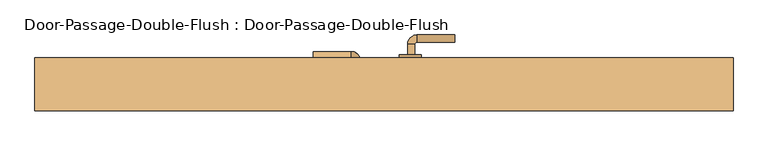
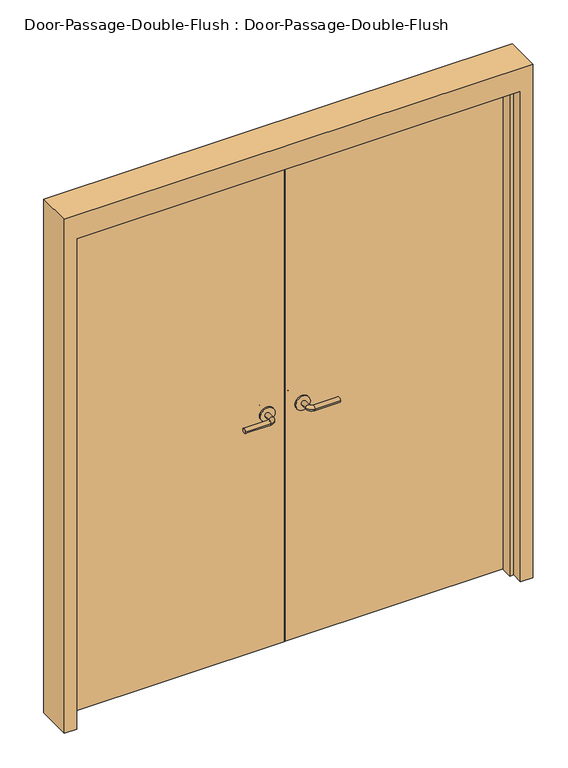
"""IFC4 building model written with IfcOpenShell, lengths in millimetres: door geometry, Door-Passage-Double-Flush : Door-Passage-Double-Flush."""

from ifc_helpers import new_model, si_unit, point, frame, frame_2d, origin, origin_with_axes, place, context, project, spatial, polyline, circle_curve, ellipse_curve, trimmed, segment, composite_curve, outline, extrude, faceted_brep, source, transform, mapped, element, save
from ifc_brep_helpers import plane_surface, cylinder_surface, revolved_surface, advanced_brep


def door_passage_double_flush_door_passage_double_flush_6cc9b6c5(model_context):
    return source(origin(), model_context, "Body", "SolidModel", [
        advanced_brep(
        [(-65.009375, 76.1375, 1016.0), (-85.009375, 76.1375, 1016.0), (-65.009375, 46.1375, 1016.0), (-85.009375, 46.1375, 1016.0), (-90.009375, 41.1375, 1016.0), (-90.009375, 21.1375, 1016.0), (-195.009375, 21.1375, 1016.0), (-195.009375, 41.1375, 1016.0)],
        [
            (0, 1, circle_curve(frame((-75.009375, 76.1375, 1016.0), z_axis=(0.0, 1.0, 0.0), x_axis=(-1.0, 0.0, 0.0)), 10.0)),
            (1, 0, circle_curve(frame((-75.009375, 76.1375, 1016.0), z_axis=(0.0, 1.0, 0.0), x_axis=(-1.0, 0.0, 0.0)), 10.0)),
            (0, 2),
            (2, 3, circle_curve(frame((-75.009375, 46.1375, 1016.0), z_axis=(0.0, 1.0, 0.0), x_axis=(-1.0, 0.0, 0.0)), 10.0)),
            (3, 1),
            (3, 2, circle_curve(frame((-75.009375, 46.1375, 1016.0), z_axis=(0.0, 1.0, 0.0), x_axis=(-1.0, 0.0, 0.0)), 10.0)),
            (4, 3, circle_curve(frame((-90.009375, 46.1375, 1016.0), z_axis=(0.0, 0.0, 1.0), x_axis=(1.0, 0.0, 0.0)), 5.0)),
            (2, 5, circle_curve(frame((-90.009375, 46.1375, 1016.0), z_axis=(0.0, 0.0, -1.0), x_axis=(1.0, 0.0, 0.0)), 25.0)),
            (5, 4, circle_curve(frame((-90.009375, 31.1375, 1016.0), z_axis=(1.0, 0.0, 0.0), x_axis=(0.0, 1.0, 0.0)), 10.0)),
            (4, 5, circle_curve(frame((-90.009375, 31.1375, 1016.0), z_axis=(1.0, 0.0, 0.0), x_axis=(0.0, 1.0, 0.0)), 10.0)),
            (6, 7, circle_curve(frame((-195.009375, 31.1375, 1016.0), z_axis=(-1.0, 0.0, 0.0), x_axis=(0.0, 1.0, 0.0)), 10.0)),
            (7, 6, circle_curve(frame((-195.009375, 31.1375, 1016.0), z_axis=(-1.0, 0.0, 0.0), x_axis=(0.0, 1.0, 0.0)), 10.0)),
            (5, 6),
            (7, 4),
        ],
        [
            plane_surface(frame((-75.009375, 76.1375, 1016.0), z_axis=(0.0, 1.0, 0.0), x_axis=(0.0, 0.0, 1.0))),
            cylinder_surface(frame((-75.009375, 76.1375, 1016.0), z_axis=(0.0, 1.0, 0.0), x_axis=(-1.0, 0.0, 0.0)), 10.0),
            revolved_surface(trimmed(ellipse_curve(frame((-75.009375, 46.1375, 1016.0), z_axis=(0.0, 1.0, 0.0), x_axis=(-1.0, 0.0, 0.0)), 10.0, 10.0), [point((-65.009375, 46.1375, 1016.0))], [point((-85.009375, 46.1375, 1016.0))], True, "CARTESIAN"), (-90.009375, 46.1375, 1016.0), (0.0, 0.0, -1.0)),
            revolved_surface(trimmed(ellipse_curve(frame((-75.009375, 46.1375, 1016.0), z_axis=(0.0, 1.0, 0.0), x_axis=(-1.0, 0.0, 0.0)), 10.0, 10.0), [point((-85.009375, 46.1375, 1016.0))], [point((-65.009375, 46.1375, 1016.0))], True, "CARTESIAN"), (-90.009375, 46.1375, 1016.0), (0.0, 0.0, -1.0)),
            plane_surface(frame((-195.009375, 31.1375, 1016.0), z_axis=(-1.0, 0.0, 0.0), x_axis=(0.0, 0.0, 1.0))),
            cylinder_surface(frame((-90.009375, 31.1375, 1016.0), z_axis=(1.0, 0.0, 0.0), x_axis=(0.0, 1.0, 0.0)), 10.0),
        ],
        [
            (0, [[1, 2]]),
            (1, [[-1, 3, 4, 5]]),
            (1, [[-2, -5, 6, -3]]),
            (2, [[7, -4, 8, 9]]),
            (3, [[-8, -6, -7, 10]]),
            (4, [[11, 12]]),
            (5, [[-9, 13, -12, 14]]),
            (5, [[-10, -14, -11, -13]]),
        ],
    ),
        extrude(outline(composite_curve([segment(trimmed(circle_curve(frame_2d((1016.0, -72.509375)), 30.0), [point((1016.0, -42.509375))], [point((1016.0, -102.509375))], False, "CARTESIAN"), True, "CONTINUOUS"), segment(trimmed(circle_curve(frame_2d((1016.0, -72.509375)), 30.0), [point((1016.0, -102.509375))], [point((1016.0, -42.509375))], False, "CARTESIAN"), True, "CONTINUOUS")], self_intersect=False)), frame((0.0, 76.1375, 0.0), z_axis=(0.0, 1.0, 0.0), x_axis=(0.0, 0.0, 1.0)), (0.0, 0.0, 1.0), 8.0),
        advanced_brep(
        [(-65.009375, 90.55, 1016.0), (-85.009375, 90.55, 1016.0), (-85.009375, 120.55, 1016.0), (-65.009375, 120.55, 1016.0), (-90.009375, 125.55, 1016.0), (-90.009375, 145.55, 1016.0), (-195.009375, 145.55, 1016.0), (-195.009375, 125.55, 1016.0)],
        [
            (0, 1, circle_curve(frame((-75.009375, 90.55, 1016.0), z_axis=(0.0, -1.0, 0.0), x_axis=(-1.0, 0.0, 0.0)), 10.0)),
            (1, 0, circle_curve(frame((-75.009375, 90.55, 1016.0), z_axis=(0.0, -1.0, 0.0), x_axis=(-1.0, 0.0, 0.0)), 10.0)),
            (1, 2),
            (2, 3, circle_curve(frame((-75.009375, 120.55, 1016.0), z_axis=(0.0, -1.0, 0.0), x_axis=(-1.0, 0.0, 0.0)), 10.0)),
            (3, 0),
            (3, 2, circle_curve(frame((-75.009375, 120.55, 1016.0), z_axis=(0.0, -1.0, 0.0), x_axis=(-1.0, 0.0, 0.0)), 10.0)),
            (4, 5, circle_curve(frame((-90.009375, 135.55, 1016.0), z_axis=(1.0, 0.0, 0.0), x_axis=(0.0, -1.0, 0.0)), 10.0)),
            (5, 3, circle_curve(frame((-90.009375, 120.55, 1016.0), z_axis=(0.0, 0.0, -1.0), x_axis=(1.0, 0.0, 0.0)), 25.0)),
            (2, 4, circle_curve(frame((-90.009375, 120.55, 1016.0), z_axis=(0.0, 0.0, 1.0), x_axis=(1.0, 0.0, 0.0)), 5.0)),
            (5, 4, circle_curve(frame((-90.009375, 135.55, 1016.0), z_axis=(1.0, 0.0, 0.0), x_axis=(0.0, -1.0, 0.0)), 10.0)),
            (6, 7, circle_curve(frame((-195.009375, 135.55, 1016.0), z_axis=(-1.0, 0.0, 0.0), x_axis=(0.0, -1.0, 0.0)), 10.0)),
            (7, 6, circle_curve(frame((-195.009375, 135.55, 1016.0), z_axis=(-1.0, 0.0, 0.0), x_axis=(0.0, -1.0, 0.0)), 10.0)),
            (4, 7),
            (6, 5),
        ],
        [
            plane_surface(frame((-75.009375, 90.55, 1016.0), z_axis=(0.0, -1.0, 0.0), x_axis=(0.0, 0.0, 1.0))),
            cylinder_surface(frame((-75.009375, 90.55, 1016.0), z_axis=(0.0, -1.0, 0.0), x_axis=(-1.0, 0.0, 0.0)), 10.0),
            revolved_surface(trimmed(ellipse_curve(frame((-75.009375, 120.55, 1016.0), z_axis=(0.0, 1.0, 0.0), x_axis=(-1.0, 0.0, 0.0)), 10.0, 10.0), [point((-65.009375, 120.55, 1016.0))], [point((-85.009375, 120.55, 1016.0))], True, "CARTESIAN"), (-90.009375, 120.55, 1016.0), (0.0, 0.0, -1.0)),
            revolved_surface(trimmed(ellipse_curve(frame((-75.009375, 120.55, 1016.0), z_axis=(0.0, 1.0, 0.0), x_axis=(-1.0, 0.0, 0.0)), 10.0, 10.0), [point((-85.009375, 120.55, 1016.0))], [point((-65.009375, 120.55, 1016.0))], True, "CARTESIAN"), (-90.009375, 120.55, 1016.0), (0.0, 0.0, -1.0)),
            plane_surface(frame((-195.009375, 135.55, 1016.0), z_axis=(-1.0, 0.0, 0.0), x_axis=(0.0, 0.0, 1.0))),
            cylinder_surface(frame((-90.009375, 135.55, 1016.0), z_axis=(1.0, 0.0, 0.0), x_axis=(0.0, -1.0, 0.0)), 10.0),
        ],
        [
            (0, [[1, 2]]),
            (1, [[3, 4, 5, -2]]),
            (1, [[-5, 6, -3, -1]]),
            (2, [[7, 8, -4, 9]]),
            (3, [[10, -9, -6, -8]]),
            (4, [[11, 12]]),
            (5, [[13, -11, 14, -7]]),
            (5, [[-14, -12, -13, -10]]),
        ],
    ),
        extrude(outline(composite_curve([segment(trimmed(circle_curve(frame_2d((1016.0, -72.509375)), 30.0), [point((1016.0, -42.509375))], [point((1016.0, -102.509375))], False, "CARTESIAN"), True, "CONTINUOUS"), segment(trimmed(circle_curve(frame_2d((1016.0, -72.509375)), 30.0), [point((1016.0, -102.509375))], [point((1016.0, -42.509375))], False, "CARTESIAN"), True, "CONTINUOUS")], self_intersect=False)), frame((0.0, 82.55, 0.0), z_axis=(0.0, 1.0, 0.0), x_axis=(0.0, 0.0, 1.0)), (0.0, 0.0, 1.0), 8.0),
        advanced_brep(
        [(65.009375, 76.1375, 1016.0), (85.009375, 76.1375, 1016.0), (85.009375, 46.1375, 1016.0), (65.009375, 46.1375, 1016.0), (90.009375, 41.1375, 1016.0), (90.009375, 21.1375, 1016.0), (195.009375, 21.1375, 1016.0), (195.009375, 41.1375, 1016.0)],
        [
            (0, 1, circle_curve(frame((75.009375, 76.1375, 1016.0), z_axis=(0.0, 1.0, 0.0), x_axis=(1.0, 0.0, 0.0)), 10.0)),
            (1, 0, circle_curve(frame((75.009375, 76.1375, 1016.0), z_axis=(0.0, 1.0, 0.0), x_axis=(1.0, 0.0, 0.0)), 10.0)),
            (1, 2),
            (2, 3, circle_curve(frame((75.009375, 46.1375, 1016.0), z_axis=(0.0, 1.0, 0.0), x_axis=(1.0, 0.0, 0.0)), 10.0)),
            (3, 0),
            (3, 2, circle_curve(frame((75.009375, 46.1375, 1016.0), z_axis=(0.0, 1.0, 0.0), x_axis=(1.0, 0.0, 0.0)), 10.0)),
            (4, 5, circle_curve(frame((90.009375, 31.1375, 1016.0), z_axis=(-1.0, 0.0, 0.0), x_axis=(0.0, 1.0, 0.0)), 10.0)),
            (5, 3, circle_curve(frame((90.009375, 46.1375, 1016.0), z_axis=(0.0, 0.0, -1.0), x_axis=(-1.0, 0.0, 0.0)), 25.0)),
            (2, 4, circle_curve(frame((90.009375, 46.1375, 1016.0), z_axis=(0.0, 0.0, 1.0), x_axis=(-1.0, 0.0, 0.0)), 5.0)),
            (5, 4, circle_curve(frame((90.009375, 31.1375, 1016.0), z_axis=(-1.0, 0.0, 0.0), x_axis=(0.0, 1.0, 0.0)), 10.0)),
            (6, 7, circle_curve(frame((195.009375, 31.1375, 1016.0), z_axis=(1.0, 0.0, 0.0), x_axis=(0.0, 1.0, 0.0)), 10.0)),
            (7, 6, circle_curve(frame((195.009375, 31.1375, 1016.0), z_axis=(1.0, 0.0, 0.0), x_axis=(0.0, 1.0, 0.0)), 10.0)),
            (4, 7),
            (6, 5),
        ],
        [
            plane_surface(frame((75.009375, 76.1375, 1016.0), z_axis=(0.0, 1.0, 0.0), x_axis=(0.0, 0.0, 1.0))),
            cylinder_surface(frame((75.009375, 76.1375, 1016.0), z_axis=(0.0, 1.0, 0.0), x_axis=(1.0, 0.0, 0.0)), 10.0),
            revolved_surface(trimmed(ellipse_curve(frame((75.009375, 46.1375, 1016.0), z_axis=(0.0, -1.0, 0.0), x_axis=(1.0, 0.0, 0.0)), 10.0, 10.0), [point((65.009375, 46.1375, 1016.0))], [point((85.009375, 46.1375, 1016.0))], True, "CARTESIAN"), (90.009375, 46.1375, 1016.0), (0.0, 0.0, -1.0)),
            revolved_surface(trimmed(ellipse_curve(frame((75.009375, 46.1375, 1016.0), z_axis=(0.0, -1.0, 0.0), x_axis=(1.0, 0.0, 0.0)), 10.0, 10.0), [point((85.009375, 46.1375, 1016.0))], [point((65.009375, 46.1375, 1016.0))], True, "CARTESIAN"), (90.009375, 46.1375, 1016.0), (0.0, 0.0, -1.0)),
            plane_surface(frame((195.009375, 31.1375, 1016.0), z_axis=(1.0, 0.0, 0.0), x_axis=(0.0, 0.0, 1.0))),
            cylinder_surface(frame((90.009375, 31.1375, 1016.0), z_axis=(-1.0, 0.0, 0.0), x_axis=(0.0, 1.0, 0.0)), 10.0),
        ],
        [
            (0, [[1, 2]]),
            (1, [[3, 4, 5, -2]]),
            (1, [[-5, 6, -3, -1]]),
            (2, [[7, 8, -4, 9]]),
            (3, [[10, -9, -6, -8]]),
            (4, [[11, 12]]),
            (5, [[13, -11, 14, -7]]),
            (5, [[-14, -12, -13, -10]]),
        ],
    ),
        extrude(outline(composite_curve([segment(trimmed(circle_curve(frame_2d((1016.0, 72.509375)), 30.0), [point((1016.0, 42.509375))], [point((1016.0, 102.509375))], False, "CARTESIAN"), True, "CONTINUOUS"), segment(trimmed(circle_curve(frame_2d((1016.0, 72.509375)), 30.0), [point((1016.0, 102.509375))], [point((1016.0, 42.509375))], False, "CARTESIAN"), True, "CONTINUOUS")], self_intersect=False)), frame((0.0, 76.1375, 0.0), z_axis=(0.0, 1.0, 0.0), x_axis=(0.0, 0.0, 1.0)), (0.0, 0.0, 1.0), 8.0),
        advanced_brep(
        [(65.009375, 136.5875, 1016.0), (85.009375, 136.5875, 1016.0), (65.009375, 166.5875, 1016.0), (85.009375, 166.5875, 1016.0), (90.009375, 171.5875, 1016.0), (90.009375, 191.5875, 1016.0), (195.009375, 191.5875, 1016.0), (195.009375, 171.5875, 1016.0)],
        [
            (0, 1, circle_curve(frame((75.009375, 136.5875, 1016.0), z_axis=(0.0, -1.0, 0.0), x_axis=(1.0, 0.0, 0.0)), 10.0)),
            (1, 0, circle_curve(frame((75.009375, 136.5875, 1016.0), z_axis=(0.0, -1.0, 0.0), x_axis=(1.0, 0.0, 0.0)), 10.0)),
            (0, 2),
            (2, 3, circle_curve(frame((75.009375, 166.5875, 1016.0), z_axis=(0.0, -1.0, 0.0), x_axis=(1.0, 0.0, 0.0)), 10.0)),
            (3, 1),
            (3, 2, circle_curve(frame((75.009375, 166.5875, 1016.0), z_axis=(0.0, -1.0, 0.0), x_axis=(1.0, 0.0, 0.0)), 10.0)),
            (4, 3, circle_curve(frame((90.009375, 166.5875, 1016.0), z_axis=(0.0, 0.0, 1.0), x_axis=(-1.0, 0.0, 0.0)), 5.0)),
            (2, 5, circle_curve(frame((90.009375, 166.5875, 1016.0), z_axis=(0.0, 0.0, -1.0), x_axis=(-1.0, 0.0, 0.0)), 25.0)),
            (5, 4, circle_curve(frame((90.009375, 181.5875, 1016.0), z_axis=(-1.0, 0.0, 0.0), x_axis=(0.0, -1.0, 0.0)), 10.0)),
            (4, 5, circle_curve(frame((90.009375, 181.5875, 1016.0), z_axis=(-1.0, 0.0, 0.0), x_axis=(0.0, -1.0, 0.0)), 10.0)),
            (6, 7, circle_curve(frame((195.009375, 181.5875, 1016.0), z_axis=(1.0, 0.0, 0.0), x_axis=(0.0, -1.0, 0.0)), 10.0)),
            (7, 6, circle_curve(frame((195.009375, 181.5875, 1016.0), z_axis=(1.0, 0.0, 0.0), x_axis=(0.0, -1.0, 0.0)), 10.0)),
            (5, 6),
            (7, 4),
        ],
        [
            plane_surface(frame((75.009375, 136.5875, 1016.0), z_axis=(0.0, -1.0, 0.0), x_axis=(0.0, 0.0, 1.0))),
            cylinder_surface(frame((75.009375, 136.5875, 1016.0), z_axis=(0.0, -1.0, 0.0), x_axis=(1.0, 0.0, 0.0)), 10.0),
            revolved_surface(trimmed(ellipse_curve(frame((75.009375, 166.5875, 1016.0), z_axis=(0.0, -1.0, 0.0), x_axis=(1.0, 0.0, 0.0)), 10.0, 10.0), [point((65.009375, 166.5875, 1016.0))], [point((85.009375, 166.5875, 1016.0))], True, "CARTESIAN"), (90.009375, 166.5875, 1016.0), (0.0, 0.0, -1.0)),
            revolved_surface(trimmed(ellipse_curve(frame((75.009375, 166.5875, 1016.0), z_axis=(0.0, -1.0, 0.0), x_axis=(1.0, 0.0, 0.0)), 10.0, 10.0), [point((85.009375, 166.5875, 1016.0))], [point((65.009375, 166.5875, 1016.0))], True, "CARTESIAN"), (90.009375, 166.5875, 1016.0), (0.0, 0.0, -1.0)),
            plane_surface(frame((195.009375, 181.5875, 1016.0), z_axis=(1.0, 0.0, 0.0), x_axis=(0.0, 0.0, 1.0))),
            cylinder_surface(frame((90.009375, 181.5875, 1016.0), z_axis=(-1.0, 0.0, 0.0), x_axis=(0.0, -1.0, 0.0)), 10.0),
        ],
        [
            (0, [[1, 2]]),
            (1, [[-1, 3, 4, 5]]),
            (1, [[-2, -5, 6, -3]]),
            (2, [[7, -4, 8, 9]]),
            (3, [[-8, -6, -7, 10]]),
            (4, [[11, 12]]),
            (5, [[-9, 13, -12, 14]]),
            (5, [[-10, -14, -11, -13]]),
        ],
    ),
        extrude(outline(composite_curve([segment(trimmed(circle_curve(frame_2d((1016.0, 72.509375)), 30.0), [point((1016.0, 42.509375))], [point((1016.0, 102.509375))], False, "CARTESIAN"), True, "CONTINUOUS"), segment(trimmed(circle_curve(frame_2d((1016.0, 72.509375)), 30.0), [point((1016.0, 102.509375))], [point((1016.0, 42.509375))], False, "CARTESIAN"), True, "CONTINUOUS")], self_intersect=False)), frame((0.0, 128.5875, 0.0), z_axis=(0.0, 1.0, 0.0), x_axis=(0.0, 0.0, 1.0)), (0.0, 0.0, 1.0), 8.0),
        faceted_brep([(914.4, 79.375, 0.0), (914.4, 128.5875, 0.0), (965.2, 128.5875, 0.0), (965.2, -17.4625, 0.0), (914.4, -17.4625, 0.0), (914.4, 31.75, 0.0), (898.525, 31.75, 0.0), (898.525, 79.375, 0.0), (914.4, 79.375, 2133.6), (914.4, 128.5875, 2133.6), (-914.4, 128.5875, 2133.6), (-914.4, 128.5875, 0.0), (-965.2, 128.5875, 0.0), (-965.2, 128.5875, 2235.2), (965.2, 128.5875, 2235.2), (965.2, -17.4625, 2235.2), (-965.2, -17.4625, 2235.2), (-965.2, -17.4625, 0.0), (-914.4, -17.4625, 0.0), (-914.4, -17.4625, 2133.6), (914.4, -17.4625, 2133.6), (914.4, 31.75, 2133.6), (-914.4, 31.75, 2133.6), (-914.4, 31.75, 0.0), (-898.525, 31.75, 0.0), (-898.525, 31.75, 2117.725), (898.525, 31.75, 2117.725), (898.525, 79.375, 2117.725), (-898.525, 79.375, 2117.725), (-898.525, 79.375, 0.0), (-914.4, 79.375, 0.0), (-914.4, 79.375, 2133.6)], [[[0, 1, 2, 3, 4, 5, 6, 7]], [[1, 0, 8, 9]], [[2, 1, 9, 10, 11, 12, 13, 14]], [[3, 2, 14, 15]], [[4, 3, 15, 16, 17, 18, 19, 20]], [[5, 4, 20, 21]], [[6, 5, 21, 22, 23, 24, 25, 26]], [[7, 6, 26, 27]], [[0, 7, 27, 28, 29, 30, 31, 8]], [[9, 8, 31, 10]], [[20, 19, 22, 21]], [[26, 25, 28, 27]], [[12, 11, 30, 29, 24, 23, 18, 17]], [[11, 10, 31, 30]], [[13, 12, 17, 16]], [[19, 18, 23, 22]], [[25, 24, 29, 28]], [[15, 14, 13, 16]]]),
        extrude(outline(polyline([(914.4, 82.55), (1.5875, 82.55), (1.5875, 84.1375), (914.4, 84.1375), (914.4, 82.55)])), origin_with_axes(), (0.0, 0.0, 1.0), 2133.6),
        extrude(outline(polyline([(-1.5875, 82.55), (-914.4, 82.55), (-914.4, 84.1375), (-1.5875, 84.1375), (-1.5875, 82.55)])), origin_with_axes(), (0.0, 0.0, 1.0), 2133.6),
    ])


if __name__ == "__main__":
    model = new_model("IFC4")
    model_context = context("Model", 3, world=origin())
    ifc_project = project(units=[si_unit("LENGTHUNIT", "METRE", prefix="MILLI")], contexts=[model_context])
    site = spatial("IfcSite", under=ifc_project)
    building = spatial("IfcBuilding", under=site)
    placement = place(None, origin())
    door_passage_double_flush_door_passage_double_flush_shape = door_passage_double_flush_door_passage_double_flush_6cc9b6c5(model_context)
    element("IfcDoor", 1, ObjectType="Door-Passage-Double-Flush : Door-Passage-Double-Flush", at=placement, inside=building, context=model_context, shape_type="MappedRepresentation", body=[
        mapped(door_passage_double_flush_door_passage_double_flush_shape, transform((0.0, 0.0, 0.0), x_axis=(1.0, 0.0, 0.0), y_axis=(0.0, 1.0, 0.0), z_axis=(0.0, 0.0, 1.0))),
    ])
    save(model, "model.ifc")
